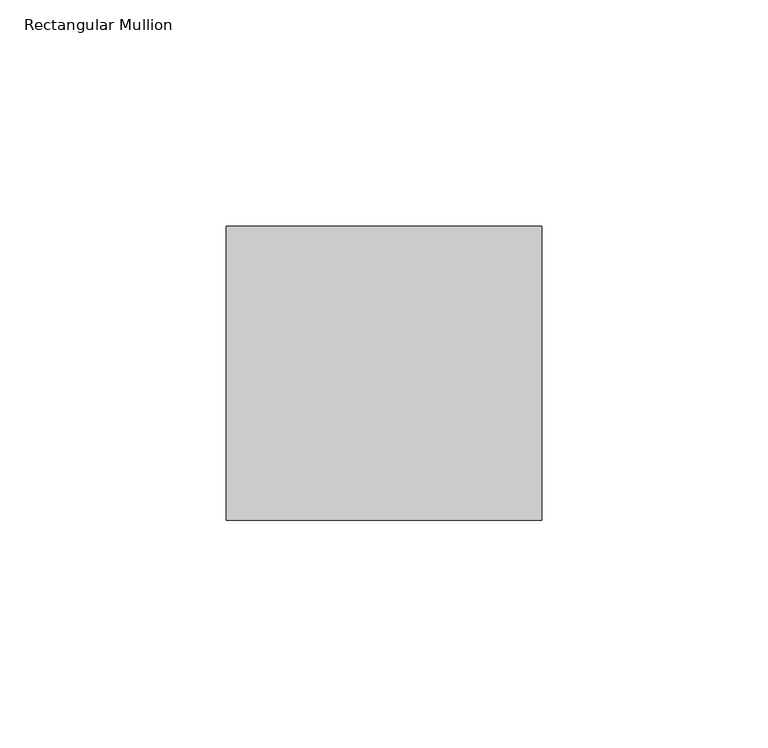
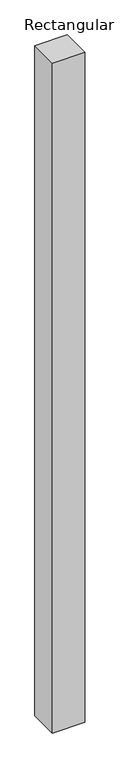
"""IFC4 building model written with IfcOpenShell, lengths in millimetres: member geometry, Rectangular Mullion."""

from ifc_helpers import new_model, si_unit, frame, origin, place, context, project, spatial, polyline, outline, extrude, source, transform, mapped, element, save


def rectangular_mullion_09342be5(model_context):
    return source(origin(), model_context, "Body", "SweptSolid", [
        extrude(outline(polyline([(0.0, -46.0375), (-69.85, -46.0375), (-69.85, 19.05), (0.0, 19.05), (0.0, -46.0375)])), frame((0.0, 0.0, -1524.0), z_axis=(0.0, 0.0, 1.0), x_axis=(1.0, 0.0, 0.0)), (0.0, 0.0, 1.0), 1524.0),
    ])


if __name__ == "__main__":
    model = new_model("IFC4")
    model_context = context("Model", 3, world=origin())
    ifc_project = project(units=[si_unit("LENGTHUNIT", "METRE", prefix="MILLI")], contexts=[model_context])
    site = spatial("IfcSite", under=ifc_project)
    building = spatial("IfcBuilding", under=site)
    placement = place(None, origin())
    rectangular_mullion_shape = rectangular_mullion_09342be5(model_context)
    element("IfcMember", 1, ObjectType="Rectangular Mullion", at=placement, inside=building, context=model_context, shape_type="MappedRepresentation", body=[
        mapped(rectangular_mullion_shape, transform((0.0, 0.0, 0.0), x_axis=(1.0, 0.0, 0.0), y_axis=(0.0, 1.0, 0.0), z_axis=(0.0, 0.0, 1.0))),
    ])
    save(model, "model.ifc")
